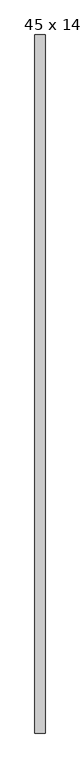
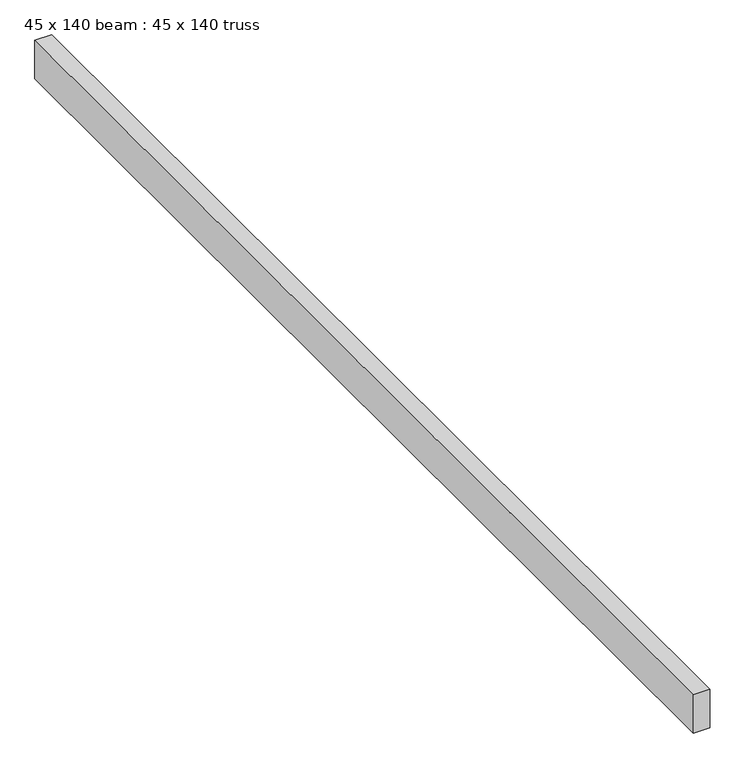
"""IFC4 building model written with IfcOpenShell, lengths in millimetres: proxy geometry, 45 x 140 beam : 45 x 140 truss."""

from ifc_helpers import new_model, si_unit, frame, origin, place, context, project, spatial, polyline, outline, extrude, source, transform, mapped, element, save


def proxy_45_x_140_beam_45_x_140_truss_37da1c6d(model_context):
    return source(origin(), model_context, "Body", "SweptSolid", [
        extrude(outline(polyline([(-1161.2862215, -4546.9083503), (-1206.2862215, -4546.9083503), (-1206.2862215, -1456.9083503), (-1161.2862215, -1456.9083503), (-1161.2862215, -4546.9083503)])), frame((0.0, 0.0, 3675.1978483), z_axis=(0.0, 0.0, 1.0), x_axis=(1.0, 0.0, 0.0)), (0.0, 0.0, 1.0), 109.0474323),
    ])


if __name__ == "__main__":
    model = new_model("IFC4")
    model_context = context("Model", 3, world=origin())
    ifc_project = project(units=[si_unit("LENGTHUNIT", "METRE", prefix="MILLI")], contexts=[model_context])
    site = spatial("IfcSite", under=ifc_project)
    building = spatial("IfcBuilding", under=site)
    placement = place(None, origin())
    proxy_45_x_140_beam_45_x_140_truss_shape = proxy_45_x_140_beam_45_x_140_truss_37da1c6d(model_context)
    element("IfcBuildingElementProxy", 1, Name="45 x 140 beam : 45 x 140 truss", ObjectType="45 x 140 beam : 45 x 140 truss", at=placement, inside=building, context=model_context, shape_type="MappedRepresentation", body=[
        mapped(proxy_45_x_140_beam_45_x_140_truss_shape, transform((0.0, 0.0, 0.0), x_axis=(1.0, 0.0, 0.0), y_axis=(0.0, 1.0, 0.0), z_axis=(0.0, 0.0, 1.0))),
    ])
    save(model, "model.ifc")
